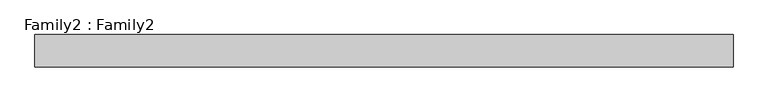
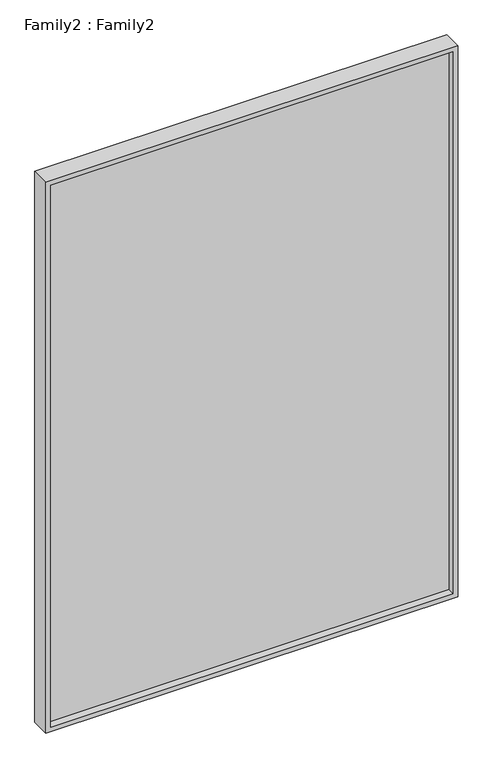
"""IFC4 building model written with IfcOpenShell, lengths in millimetres: plate geometry, Family2 : Family2."""

import ifcopenshell
import ifcopenshell.guid

model = None  # the IFC model being written
_history = None  # IfcOwnerHistory: only IFC2X3 demands one
_inside = {}  # id of a spatial element -> (the spatial element, [elements in it])
_under = {}  # id of a project, library or spatial element -> (it, [spatial elements below it])
_declared = {}  # id of a project -> (the project, [libraries it declares])
_typed = {}  # id of a type object -> (the type object, [elements of that type])
_made_of = {}  # id of a material, layer set ... -> (it, [elements and type objects made of it])


def new_model(schema):
    """Start an empty IFC model of exactly this schema.

    Asked for "IFC4X3", IfcOpenShell would pick the latest addendum, in which some entities
    have other attributes; the version numbers below select the first issue.
    IFC2X3 requires an IfcOwnerHistory on every rooted entity: one is made here for all.
    """
    global model, _history
    if schema == "IFC4X3":
        model = ifcopenshell.file(schema_version=(4, 3, 0, 0))
    else:
        model = ifcopenshell.file(schema=schema)
    _inside.clear()
    _under.clear()
    _declared.clear()
    _typed.clear()
    _made_of.clear()
    _history = None
    if model.schema == "IFC2X3":
        org = make("IfcOrganization", Name="unknown")
        user = make(
            "IfcPersonAndOrganization",
            ThePerson=make("IfcPerson", FamilyName="unknown"),
            TheOrganization=org,
        )
        app = make(
            "IfcApplication",
            ApplicationDeveloper=org,
            Version="unknown",
            ApplicationFullName="unknown",
            ApplicationIdentifier="unknown",
        )
        _history = make(
            "IfcOwnerHistory",
            OwningUser=user,
            OwningApplication=app,
            ChangeAction="ADDED",
            CreationDate=0,
        )
    return model


def make(cls, **values):
    """One entity of the class cls with the attributes given. An attribute that is None is left unset."""
    return model.create_entity(
        cls, **{name: value for name, value in values.items() if value is not None}
    )


def rooted(cls, **values):
    """An entity with a GlobalId (a new one), such as an element, a storey or a relation."""
    return make(cls, GlobalId=ifcopenshell.guid.new(), OwnerHistory=_history, **values)


def si_unit(unit_type, name, prefix=None):
    """IfcSIUnit, for example si_unit("LENGTHUNIT", "METRE", prefix="MILLI")."""
    return make("IfcSIUnit", UnitType=unit_type, Prefix=prefix, Name=name)


def assignment(units):
    """IfcUnitAssignment: the units of a project."""
    return None if units is None else make("IfcUnitAssignment", Units=units)


def point(xyz):
    """IfcCartesianPoint."""
    return None if xyz is None else make("IfcCartesianPoint", Coordinates=xyz)


def direction(xyz):
    """IfcDirection."""
    return None if xyz is None else make("IfcDirection", DirectionRatios=xyz)


def frame(location, z_axis=None, x_axis=None):
    """IfcAxis2Placement3D, a coordinate frame: its origin and axes. An axis left out is left unset."""
    return make(
        "IfcAxis2Placement3D",
        Location=point(location),
        Axis=direction(z_axis),
        RefDirection=direction(x_axis),
    )


def origin():
    """The frame at (0, 0, 0) with its axes left unset."""
    return frame((0.0, 0.0, 0.0))


def place(relative_to, where):
    """IfcLocalPlacement: puts the frame where relative to a parent placement (None: the world)."""
    return make(
        "IfcLocalPlacement", PlacementRelTo=relative_to, RelativePlacement=where
    )


def context(
    kind, dimensions, precision=None, world=None, true_north=None, identifier=None
):
    """IfcGeometricRepresentationContext, for example the 3D "Model" context."""
    return make(
        "IfcGeometricRepresentationContext",
        ContextIdentifier=identifier,
        ContextType=kind,
        CoordinateSpaceDimension=dimensions,
        Precision=precision,
        WorldCoordinateSystem=world,
        TrueNorth=true_north,
    )


def project(units=None, contexts=None):
    """IfcProject with its units and contexts."""
    return rooted(
        "IfcProject",
        Name="project",
        RepresentationContexts=contexts,
        UnitsInContext=assignment(units),
    )


def spatial(cls, under=None, at=None, **own):
    """A site, building, storey or space (cls), placed at a placement, below another one or the project."""
    s = rooted(cls, ObjectPlacement=at, **own)
    if under is not None:
        _under.setdefault(under.id(), (under, []))[1].append(s)
    return s


def polyline(points):
    """IfcPolyline through the points."""
    return make("IfcPolyline", Points=[point(p) for p in points])


def outline(outer, holes=None, kind="AREA"):
    """IfcArbitraryClosedProfileDef: a profile drawn as a closed curve; with holes, ...WithVoids."""
    if holes is None:
        return make("IfcArbitraryClosedProfileDef", ProfileType=kind, OuterCurve=outer)
    return make(
        "IfcArbitraryProfileDefWithVoids",
        ProfileType=kind,
        OuterCurve=outer,
        InnerCurves=holes,
    )


def extrude(swept, where, along, depth):
    """IfcExtrudedAreaSolid: the profile swept, set in the frame where, extruded along a direction by depth."""
    return make(
        "IfcExtrudedAreaSolid",
        SweptArea=swept,
        Position=where,
        ExtrudedDirection=direction(along),
        Depth=depth,
    )


def shape(context_of_items, identifier, shape_type, items):
    """IfcShapeRepresentation: the items that make up one representation, for example the "Body"."""
    return make(
        "IfcShapeRepresentation",
        ContextOfItems=context_of_items,
        RepresentationIdentifier=identifier,
        RepresentationType=shape_type,
        Items=items,
    )


def source(mapping_origin, context_of_items, identifier, shape_type, items):
    """IfcRepresentationMap: a shape defined once, which mapped items show again and again."""
    return make(
        "IfcRepresentationMap",
        MappingOrigin=mapping_origin,
        MappedRepresentation=shape(context_of_items, identifier, shape_type, items),
    )


def transform(
    local_origin,
    x_axis=None,
    y_axis=None,
    z_axis=None,
    scale=None,
    scale2=None,
    scale3=None,
    uniform=True,
):
    """IfcCartesianTransformationOperator3D, or its non-uniform kind. x_axis, y_axis, z_axis: its Axis1, 2, 3."""
    if uniform:
        return make(
            "IfcCartesianTransformationOperator3D",
            Axis1=direction(x_axis),
            Axis2=direction(y_axis),
            LocalOrigin=point(local_origin),
            Scale=scale,
            Axis3=direction(z_axis),
        )
    return make(
        "IfcCartesianTransformationOperator3DnonUniform",
        Axis1=direction(x_axis),
        Axis2=direction(y_axis),
        LocalOrigin=point(local_origin),
        Scale=scale,
        Axis3=direction(z_axis),
        Scale2=scale2,
        Scale3=scale3,
    )


def mapped(mapping_source, mapping_target):
    """IfcMappedItem: shows the shape of a source again, moved by a transform."""
    return make(
        "IfcMappedItem", MappingSource=mapping_source, MappingTarget=mapping_target
    )


def made_of(thing, what):
    """Note that an element or type object is made of a material, layer set ...; save() writes the relation."""
    if what is not None:
        _made_of.setdefault(what.id(), (what, []))[1].append(thing)
    return thing


def element(
    cls,
    number,
    at=None,
    inside=None,
    cuts=None,
    type_object=None,
    material=None,
    context=None,
    identifier="Body",
    shape_type=None,
    held_by="IfcProductDefinitionShape",
    body=None,
    shapes=None,
    **own,
):
    """One element of the class cls, such as IfcWall. Its Tag is "e" and its number.

    at: its placement. inside: the storey or other place that contains it. cuts: it is an
    opening in that element (IfcRelVoidsElement). A single representation is given by context,
    identifier, shape_type and body (its items); several are given by shapes. held_by: the class
    of the entity that holds the representations. save() writes the other relations.
    """
    e = rooted(cls, Tag="e%d" % number, ObjectPlacement=at, **own)
    if body is not None:
        shapes = [shape(context, identifier, shape_type, body)]
    if shapes is not None:
        e.Representation = make(held_by, Representations=shapes)
    if inside is not None:
        _inside.setdefault(inside.id(), (inside, []))[1].append(e)
    if cuts is not None:
        rooted(
            "IfcRelVoidsElement", RelatingBuildingElement=cuts, RelatedOpeningElement=e
        )
    if type_object is not None:
        _typed.setdefault(type_object.id(), (type_object, []))[1].append(e)
    return made_of(e, material)


def aggregate(whole, parts):
    """IfcRelAggregates: a whole, such as a stair, and the parts it consists of."""
    return rooted("IfcRelAggregates", RelatingObject=whole, RelatedObjects=parts)


def save(model, path):
    """Write the relations noted so far, then the file.

    IfcRelAggregates (storeys below a building ...), IfcRelContainedInSpatialStructure (elements
    in a storey), IfcRelDefinesByType, IfcRelAssociatesMaterial and IfcRelDeclares: one each for
    every whole, place, type object, material and project.
    """
    for whole, parts in _under.values():
        aggregate(whole, parts)
    for where, things in _inside.values():
        rooted(
            "IfcRelContainedInSpatialStructure",
            RelatedElements=things,
            RelatingStructure=where,
        )
    for kind, things in _typed.values():
        rooted("IfcRelDefinesByType", RelatedObjects=things, RelatingType=kind)
    for what, things in _made_of.values():
        rooted("IfcRelAssociatesMaterial", RelatedObjects=things, RelatingMaterial=what)
    for by, libraries in _declared.values():
        rooted("IfcRelDeclares", RelatingContext=by, RelatedDefinitions=libraries)
    model.write(path)


def family2_family2_bc722819(model_context):
    return source(origin(), model_context, "Body", "SweptSolid", [
        extrude(outline(polyline([(2450.0, -867.5), (0.0, -867.5), (0.0, 867.5), (2450.0, 867.5), (2450.0, -867.5)]), holes=[polyline([(20.0, -847.5), (2430.0, -847.5), (2430.0, 847.5), (20.0, 847.5), (20.0, -847.5)])]), frame((0.0, -40.0, 0.0), z_axis=(0.0, 1.0, 0.0), x_axis=(0.0, 0.0, 1.0)), (0.0, 0.0, 1.0), 80.0),
        extrude(outline(polyline([(847.5, -10.0), (-847.5, -10.0), (-847.5, 10.0), (847.5, 10.0), (847.5, -10.0)])), frame((0.0, 0.0, 20.0), z_axis=(0.0, 0.0, 1.0), x_axis=(1.0, 0.0, 0.0)), (0.0, 0.0, 1.0), 2410.0),
    ])


if __name__ == "__main__":
    model = new_model("IFC4")
    model_context = context("Model", 3, world=origin())
    ifc_project = project(units=[si_unit("LENGTHUNIT", "METRE", prefix="MILLI")], contexts=[model_context])
    site = spatial("IfcSite", under=ifc_project)
    building = spatial("IfcBuilding", under=site)
    placement = place(None, origin())
    family2_family2_shape = family2_family2_bc722819(model_context)
    element("IfcPlate", 1, ObjectType="Family2 : Family2", at=placement, inside=building, context=model_context, shape_type="MappedRepresentation", body=[
        mapped(family2_family2_shape, transform((0.0, 0.0, 0.0), x_axis=(1.0, 0.0, 0.0), y_axis=(0.0, 1.0, 0.0), z_axis=(0.0, 0.0, 1.0))),
    ])
    save(model, "model.ifc")
